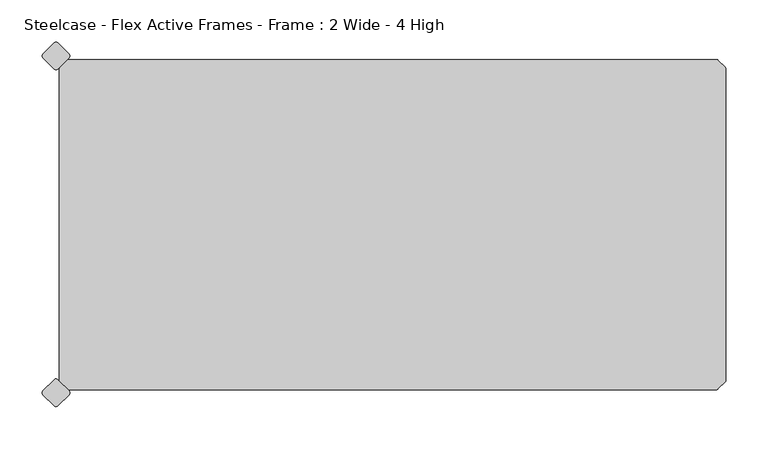
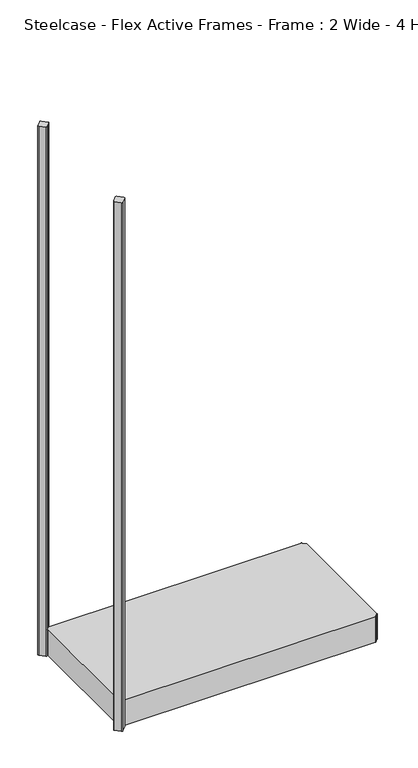
"""IFC4 building model written with IfcOpenShell, lengths in millimetres: furniture geometry, Steelcase - Flex Active Frames - Frame : 2 Wide - 4 High."""

from ifc_helpers import new_model, si_unit, point, frame, frame_2d, origin, place, context, project, spatial, polyline, circle_curve, trimmed, segment, composite_curve, outline, extrude, source, transform, mapped, element, save


def steelcase_flex_active_frames_frame_2_wide_4_high_b49041e1(model_context):
    return source(origin(), model_context, "Body", "SweptSolid", [
        extrude(outline(composite_curve([segment(polyline([(12.155908, -1.0018273), (780.3465262, -1.0019264)]), True, "CONTINUOUS"), segment(trimmed(circle_curve(frame_2d((780.3240926, -3.5418273)), 2.54), [point((780.3465262, -1.0019264))], [point((782.1201439, -1.7457761))], False, "CARTESIAN"), True, "CONTINUOUS"), segment(polyline([(782.1201439, -1.7457761), (790.7284839, -10.3541161)]), True, "CONTINUOUS"), segment(trimmed(circle_curve(frame_2d((788.9324327, -12.1501673)), 2.54), [point((790.7284839, -10.3541161))], [point((791.4724327, -12.1501687))], False, "CARTESIAN"), True, "CONTINUOUS"), segment(polyline([(791.4724327, -12.1501687), (791.4722349, -381.8355295)]), True, "CONTINUOUS"), segment(trimmed(circle_curve(frame_2d((788.9324327, -381.8038327)), 2.54), [point((791.4722349, -381.8355295))], [point((790.7284839, -383.5998839))], False, "CARTESIAN"), True, "CONTINUOUS"), segment(polyline([(790.7284839, -383.5998839), (782.1201439, -392.2082239)]), True, "CONTINUOUS"), segment(trimmed(circle_curve(frame_2d((780.3240926, -390.4121727)), 2.54), [point((782.1201439, -392.2082239))], [point((780.3465262, -392.9520736))], False, "CARTESIAN"), True, "CONTINUOUS"), segment(polyline([(780.3465262, -392.9520736), (12.155908, -392.9521727)]), True, "CONTINUOUS"), segment(trimmed(circle_curve(frame_2d((12.1559074, -390.4121727)), 2.54), [point((12.155908, -392.9521727))], [point((10.3598561, -392.2082239))], False, "CARTESIAN"), True, "CONTINUOUS"), segment(polyline([(10.3598561, -392.2082239), (1.7515161, -383.5998839)]), True, "CONTINUOUS"), segment(trimmed(circle_curve(frame_2d((3.5475673, -381.8038327)), 2.54), [point((1.7515161, -383.5998839))], [point((1.0077651, -381.8355295))], False, "CARTESIAN"), True, "CONTINUOUS"), segment(polyline([(1.0077651, -381.8355295), (1.0075673, -12.1501687)]), True, "CONTINUOUS"), segment(trimmed(circle_curve(frame_2d((3.5475673, -12.1501673)), 2.54), [point((1.0075673, -12.1501687))], [point((1.7515161, -10.3541161))], False, "CARTESIAN"), True, "CONTINUOUS"), segment(polyline([(1.7515161, -10.3541161), (10.3598561, -1.7457761)]), True, "CONTINUOUS"), segment(trimmed(circle_curve(frame_2d((12.1559074, -3.5418273)), 2.54), [point((10.3598561, -1.7457761))], [point((12.155908, -1.0018273))], False, "CARTESIAN"), True, "CONTINUOUS")], self_intersect=False)), frame((0.0, 0.0, 12.5999909), z_axis=(0.0, 0.0, 1.0), x_axis=(1.0, 0.0, 0.0)), (0.0, 0.0, 1.0), 82.39977),
        extrude(outline(composite_curve([segment(polyline([(-18.5290767, 5.1536029), (-5.1665297, 18.5163124)]), True, "CONTINUOUS"), segment(trimmed(circle_curve(frame_2d((-3.0112551, 16.3610641)), 3.048), [point((-5.1665297, 18.5163124))], [point((-0.8559936, 18.5163256))], False, "CARTESIAN"), True, "CONTINUOUS"), segment(polyline([(-0.8559936, 18.5163256), (12.5067035, 5.1536284)]), True, "CONTINUOUS"), segment(trimmed(circle_curve(frame_2d((10.351442, 2.998367)), 3.048), [point((12.5067035, 5.1536284))], [point((12.5067144, 0.8431164))], False, "CARTESIAN"), True, "CONTINUOUS"), segment(polyline([(12.5067144, 0.8431164), (-0.8557649, -12.5194983)]), True, "CONTINUOUS"), segment(trimmed(circle_curve(frame_2d((-3.0110373, -10.3642478)), 3.048), [point((-0.8557649, -12.5194983))], [point((-5.1662856, -12.5195224))], False, "CARTESIAN"), True, "CONTINUOUS"), segment(polyline([(-5.1662856, -12.5195224), (-18.5290505, 0.8430799)]), True, "CONTINUOUS"), segment(trimmed(circle_curve(frame_2d((-16.3738021, 2.9983545)), 3.048), [point((-18.5290505, 0.8430799))], [point((-18.5290767, 5.1536029))], False, "CARTESIAN"), True, "CONTINUOUS")], self_intersect=False)), frame((0.0, 0.0, 12.5999909), z_axis=(0.0, 0.0, 1.0), x_axis=(1.0, 0.0, 0.0)), (0.0, 0.0, 1.0), 1703.9320091),
        extrude(outline(composite_curve([segment(trimmed(circle_curve(frame_2d((-16.3738021, -396.9523545)), 3.048), [point((-18.5290767, -399.1076029))], [point((-18.5290505, -394.7970799))], False, "CARTESIAN"), True, "CONTINUOUS"), segment(polyline([(-18.5290505, -394.7970799), (-5.1662856, -381.4344776)]), True, "CONTINUOUS"), segment(trimmed(circle_curve(frame_2d((-3.0110373, -383.5897522)), 3.048), [point((-5.1662856, -381.4344776))], [point((-0.8557649, -381.4345017))], False, "CARTESIAN"), True, "CONTINUOUS"), segment(polyline([(-0.8557649, -381.4345017), (12.5067144, -394.7971164)]), True, "CONTINUOUS"), segment(trimmed(circle_curve(frame_2d((10.351442, -396.952367)), 3.048), [point((12.5067144, -394.7971164))], [point((12.5067035, -399.1076284))], False, "CARTESIAN"), True, "CONTINUOUS"), segment(polyline([(12.5067035, -399.1076284), (-0.8559936, -412.4703256)]), True, "CONTINUOUS"), segment(trimmed(circle_curve(frame_2d((-3.0112551, -410.3150641)), 3.048), [point((-0.8559936, -412.4703256))], [point((-5.1665297, -412.4703124))], False, "CARTESIAN"), True, "CONTINUOUS"), segment(polyline([(-5.1665297, -412.4703124), (-18.5290767, -399.1076029)]), True, "CONTINUOUS")], self_intersect=False)), frame((0.0, 0.0, 12.5999909), z_axis=(0.0, 0.0, 1.0), x_axis=(1.0, 0.0, 0.0)), (0.0, 0.0, 1.0), 1703.9320091),
    ])


if __name__ == "__main__":
    model = new_model("IFC4")
    model_context = context("Model", 3, world=origin())
    ifc_project = project(units=[si_unit("LENGTHUNIT", "METRE", prefix="MILLI")], contexts=[model_context])
    site = spatial("IfcSite", under=ifc_project)
    building = spatial("IfcBuilding", under=site)
    placement = place(None, origin())
    steelcase_flex_active_frames_frame_2_wide_4_high_shape = steelcase_flex_active_frames_frame_2_wide_4_high_b49041e1(model_context)
    element("IfcFurniture", 1, ObjectType="Steelcase - Flex Active Frames - Frame : 2 Wide - 4 High", at=placement, inside=building, context=model_context, shape_type="MappedRepresentation", body=[
        mapped(steelcase_flex_active_frames_frame_2_wide_4_high_shape, transform((0.0, 0.0, 0.0), x_axis=(1.0, 0.0, 0.0), y_axis=(0.0, 1.0, 0.0), z_axis=(0.0, 0.0, 1.0))),
    ])
    save(model, "model.ifc")
